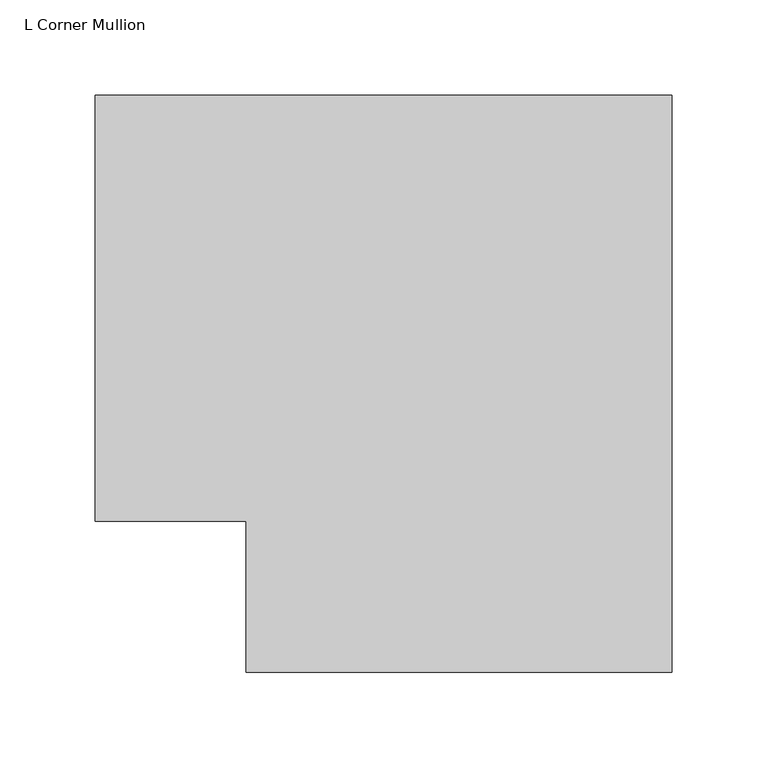
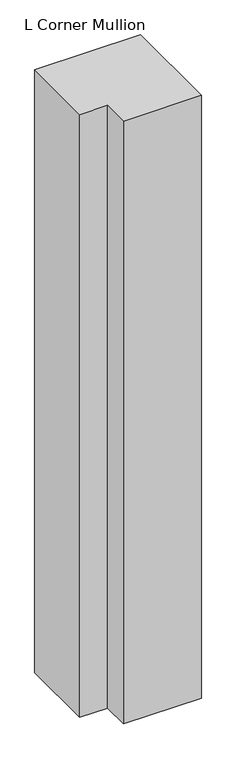
"""IFC4 building model written with IfcOpenShell, lengths in millimetres: member geometry, L Corner Mullion."""

from ifc_helpers import new_model, si_unit, frame, origin, place, context, project, spatial, polyline, outline, extrude, source, transform, mapped, element, save


def l_corner_mullion_99c21cb2(model_context):
    return source(origin(), model_context, "Body", "SweptSolid", [
        extrude(outline(polyline([(-181.76875, -261.14375), (-181.76875, -181.76875), (-261.14375, -181.76875), (-261.14375, 42.06875), (42.06875, 42.06875), (42.06875, -261.14375), (-181.76875, -261.14375)])), frame((0.0, 0.0, -1828.8), z_axis=(0.0, 0.0, 1.0), x_axis=(1.0, 0.0, 0.0)), (0.0, 0.0, 1.0), 1828.8),
    ])


if __name__ == "__main__":
    model = new_model("IFC4")
    model_context = context("Model", 3, world=origin())
    ifc_project = project(units=[si_unit("LENGTHUNIT", "METRE", prefix="MILLI")], contexts=[model_context])
    site = spatial("IfcSite", under=ifc_project)
    building = spatial("IfcBuilding", under=site)
    placement = place(None, origin())
    l_corner_mullion_shape = l_corner_mullion_99c21cb2(model_context)
    element("IfcMember", 1, ObjectType="L Corner Mullion", at=placement, inside=building, context=model_context, shape_type="MappedRepresentation", body=[
        mapped(l_corner_mullion_shape, transform((0.0, 0.0, 0.0), x_axis=(1.0, 0.0, 0.0), y_axis=(0.0, 1.0, 0.0), z_axis=(0.0, 0.0, 1.0))),
    ])
    save(model, "model.ifc")
